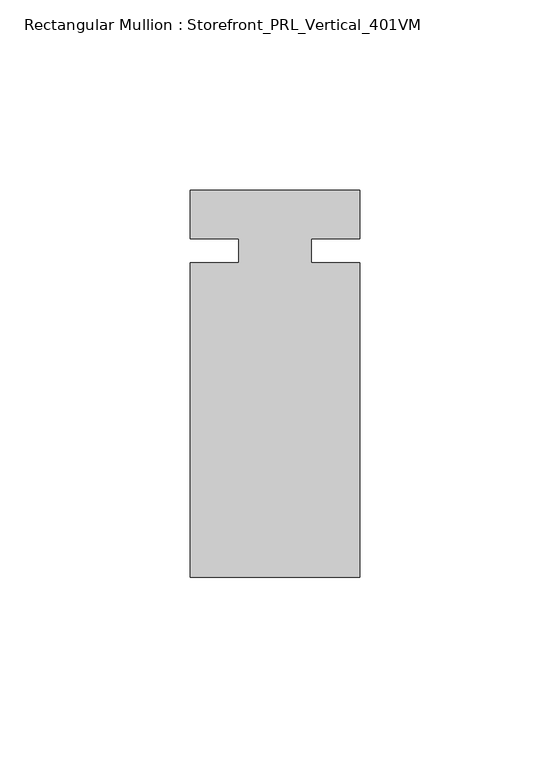
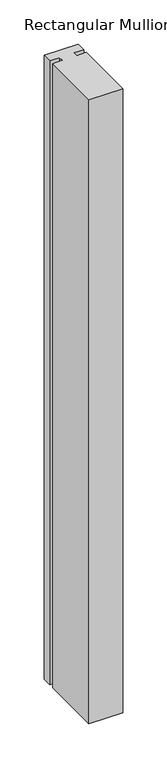
"""IFC4 building model written with IfcOpenShell, lengths in millimetres: member geometry, Rectangular Mullion : Storefront_PRL_Vertical_401VM."""

import ifcopenshell
import ifcopenshell.guid

model = None  # the IFC model being written
_history = None  # IfcOwnerHistory: only IFC2X3 demands one
_inside = {}  # id of a spatial element -> (the spatial element, [elements in it])
_under = {}  # id of a project, library or spatial element -> (it, [spatial elements below it])
_declared = {}  # id of a project -> (the project, [libraries it declares])
_typed = {}  # id of a type object -> (the type object, [elements of that type])
_made_of = {}  # id of a material, layer set ... -> (it, [elements and type objects made of it])


def new_model(schema):
    """Start an empty IFC model of exactly this schema.

    Asked for "IFC4X3", IfcOpenShell would pick the latest addendum, in which some entities
    have other attributes; the version numbers below select the first issue.
    IFC2X3 requires an IfcOwnerHistory on every rooted entity: one is made here for all.
    """
    global model, _history
    if schema == "IFC4X3":
        model = ifcopenshell.file(schema_version=(4, 3, 0, 0))
    else:
        model = ifcopenshell.file(schema=schema)
    _inside.clear()
    _under.clear()
    _declared.clear()
    _typed.clear()
    _made_of.clear()
    _history = None
    if model.schema == "IFC2X3":
        org = make("IfcOrganization", Name="unknown")
        user = make(
            "IfcPersonAndOrganization",
            ThePerson=make("IfcPerson", FamilyName="unknown"),
            TheOrganization=org,
        )
        app = make(
            "IfcApplication",
            ApplicationDeveloper=org,
            Version="unknown",
            ApplicationFullName="unknown",
            ApplicationIdentifier="unknown",
        )
        _history = make(
            "IfcOwnerHistory",
            OwningUser=user,
            OwningApplication=app,
            ChangeAction="ADDED",
            CreationDate=0,
        )
    return model


def make(cls, **values):
    """One entity of the class cls with the attributes given. An attribute that is None is left unset."""
    return model.create_entity(
        cls, **{name: value for name, value in values.items() if value is not None}
    )


def rooted(cls, **values):
    """An entity with a GlobalId (a new one), such as an element, a storey or a relation."""
    return make(cls, GlobalId=ifcopenshell.guid.new(), OwnerHistory=_history, **values)


def si_unit(unit_type, name, prefix=None):
    """IfcSIUnit, for example si_unit("LENGTHUNIT", "METRE", prefix="MILLI")."""
    return make("IfcSIUnit", UnitType=unit_type, Prefix=prefix, Name=name)


def assignment(units):
    """IfcUnitAssignment: the units of a project."""
    return None if units is None else make("IfcUnitAssignment", Units=units)


def point(xyz):
    """IfcCartesianPoint."""
    return None if xyz is None else make("IfcCartesianPoint", Coordinates=xyz)


def direction(xyz):
    """IfcDirection."""
    return None if xyz is None else make("IfcDirection", DirectionRatios=xyz)


def frame(location, z_axis=None, x_axis=None):
    """IfcAxis2Placement3D, a coordinate frame: its origin and axes. An axis left out is left unset."""
    return make(
        "IfcAxis2Placement3D",
        Location=point(location),
        Axis=direction(z_axis),
        RefDirection=direction(x_axis),
    )


def origin():
    """The frame at (0, 0, 0) with its axes left unset."""
    return frame((0.0, 0.0, 0.0))


def place(relative_to, where):
    """IfcLocalPlacement: puts the frame where relative to a parent placement (None: the world)."""
    return make(
        "IfcLocalPlacement", PlacementRelTo=relative_to, RelativePlacement=where
    )


def context(
    kind, dimensions, precision=None, world=None, true_north=None, identifier=None
):
    """IfcGeometricRepresentationContext, for example the 3D "Model" context."""
    return make(
        "IfcGeometricRepresentationContext",
        ContextIdentifier=identifier,
        ContextType=kind,
        CoordinateSpaceDimension=dimensions,
        Precision=precision,
        WorldCoordinateSystem=world,
        TrueNorth=true_north,
    )


def project(units=None, contexts=None):
    """IfcProject with its units and contexts."""
    return rooted(
        "IfcProject",
        Name="project",
        RepresentationContexts=contexts,
        UnitsInContext=assignment(units),
    )


def spatial(cls, under=None, at=None, **own):
    """A site, building, storey or space (cls), placed at a placement, below another one or the project."""
    s = rooted(cls, ObjectPlacement=at, **own)
    if under is not None:
        _under.setdefault(under.id(), (under, []))[1].append(s)
    return s


def polyline(points):
    """IfcPolyline through the points."""
    return make("IfcPolyline", Points=[point(p) for p in points])


def outline(outer, holes=None, kind="AREA"):
    """IfcArbitraryClosedProfileDef: a profile drawn as a closed curve; with holes, ...WithVoids."""
    if holes is None:
        return make("IfcArbitraryClosedProfileDef", ProfileType=kind, OuterCurve=outer)
    return make(
        "IfcArbitraryProfileDefWithVoids",
        ProfileType=kind,
        OuterCurve=outer,
        InnerCurves=holes,
    )


def extrude(swept, where, along, depth):
    """IfcExtrudedAreaSolid: the profile swept, set in the frame where, extruded along a direction by depth."""
    return make(
        "IfcExtrudedAreaSolid",
        SweptArea=swept,
        Position=where,
        ExtrudedDirection=direction(along),
        Depth=depth,
    )


def shape(context_of_items, identifier, shape_type, items):
    """IfcShapeRepresentation: the items that make up one representation, for example the "Body"."""
    return make(
        "IfcShapeRepresentation",
        ContextOfItems=context_of_items,
        RepresentationIdentifier=identifier,
        RepresentationType=shape_type,
        Items=items,
    )


def source(mapping_origin, context_of_items, identifier, shape_type, items):
    """IfcRepresentationMap: a shape defined once, which mapped items show again and again."""
    return make(
        "IfcRepresentationMap",
        MappingOrigin=mapping_origin,
        MappedRepresentation=shape(context_of_items, identifier, shape_type, items),
    )


def transform(
    local_origin,
    x_axis=None,
    y_axis=None,
    z_axis=None,
    scale=None,
    scale2=None,
    scale3=None,
    uniform=True,
):
    """IfcCartesianTransformationOperator3D, or its non-uniform kind. x_axis, y_axis, z_axis: its Axis1, 2, 3."""
    if uniform:
        return make(
            "IfcCartesianTransformationOperator3D",
            Axis1=direction(x_axis),
            Axis2=direction(y_axis),
            LocalOrigin=point(local_origin),
            Scale=scale,
            Axis3=direction(z_axis),
        )
    return make(
        "IfcCartesianTransformationOperator3DnonUniform",
        Axis1=direction(x_axis),
        Axis2=direction(y_axis),
        LocalOrigin=point(local_origin),
        Scale=scale,
        Axis3=direction(z_axis),
        Scale2=scale2,
        Scale3=scale3,
    )


def mapped(mapping_source, mapping_target):
    """IfcMappedItem: shows the shape of a source again, moved by a transform."""
    return make(
        "IfcMappedItem", MappingSource=mapping_source, MappingTarget=mapping_target
    )


def made_of(thing, what):
    """Note that an element or type object is made of a material, layer set ...; save() writes the relation."""
    if what is not None:
        _made_of.setdefault(what.id(), (what, []))[1].append(thing)
    return thing


def element(
    cls,
    number,
    at=None,
    inside=None,
    cuts=None,
    type_object=None,
    material=None,
    context=None,
    identifier="Body",
    shape_type=None,
    held_by="IfcProductDefinitionShape",
    body=None,
    shapes=None,
    **own,
):
    """One element of the class cls, such as IfcWall. Its Tag is "e" and its number.

    at: its placement. inside: the storey or other place that contains it. cuts: it is an
    opening in that element (IfcRelVoidsElement). A single representation is given by context,
    identifier, shape_type and body (its items); several are given by shapes. held_by: the class
    of the entity that holds the representations. save() writes the other relations.
    """
    e = rooted(cls, Tag="e%d" % number, ObjectPlacement=at, **own)
    if body is not None:
        shapes = [shape(context, identifier, shape_type, body)]
    if shapes is not None:
        e.Representation = make(held_by, Representations=shapes)
    if inside is not None:
        _inside.setdefault(inside.id(), (inside, []))[1].append(e)
    if cuts is not None:
        rooted(
            "IfcRelVoidsElement", RelatingBuildingElement=cuts, RelatedOpeningElement=e
        )
    if type_object is not None:
        _typed.setdefault(type_object.id(), (type_object, []))[1].append(e)
    return made_of(e, material)


def aggregate(whole, parts):
    """IfcRelAggregates: a whole, such as a stair, and the parts it consists of."""
    return rooted("IfcRelAggregates", RelatingObject=whole, RelatedObjects=parts)


def save(model, path):
    """Write the relations noted so far, then the file.

    IfcRelAggregates (storeys below a building ...), IfcRelContainedInSpatialStructure (elements
    in a storey), IfcRelDefinesByType, IfcRelAssociatesMaterial and IfcRelDeclares: one each for
    every whole, place, type object, material and project.
    """
    for whole, parts in _under.values():
        aggregate(whole, parts)
    for where, things in _inside.values():
        rooted(
            "IfcRelContainedInSpatialStructure",
            RelatedElements=things,
            RelatingStructure=where,
        )
    for kind, things in _typed.values():
        rooted("IfcRelDefinesByType", RelatedObjects=things, RelatingType=kind)
    for what, things in _made_of.values():
        rooted("IfcRelAssociatesMaterial", RelatedObjects=things, RelatingMaterial=what)
    for by, libraries in _declared.values():
        rooted("IfcRelDeclares", RelatingContext=by, RelatedDefinitions=libraries)
    model.write(path)


def rectangular_mullion_storefront_prl_vertical_401vm_c72775cb(model_context):
    return source(origin(), model_context, "Body", "SweptSolid", [
        extrude(outline(polyline([(-9.525, -3.175), (-9.525, 3.175), (-22.225, 3.175), (-22.225, 15.875), (22.225, 15.875), (22.225, 3.175), (9.525, 3.175), (9.525, -3.175), (22.225, -3.175), (22.225, -85.725), (-22.225, -85.725), (-22.225, -3.175), (-9.525, -3.175)])), frame((0.0, 0.0, -863.6), z_axis=(0.0, 0.0, 1.0), x_axis=(1.0, 0.0, 0.0)), (0.0, 0.0, 1.0), 863.6),
    ])


if __name__ == "__main__":
    model = new_model("IFC4")
    model_context = context("Model", 3, world=origin())
    ifc_project = project(units=[si_unit("LENGTHUNIT", "METRE", prefix="MILLI")], contexts=[model_context])
    site = spatial("IfcSite", under=ifc_project)
    building = spatial("IfcBuilding", under=site)
    placement = place(None, origin())
    rectangular_mullion_storefront_prl_vertical_401vm_shape = rectangular_mullion_storefront_prl_vertical_401vm_c72775cb(model_context)
    element("IfcMember", 1, ObjectType="Rectangular Mullion : Storefront_PRL_Vertical_401VM", at=placement, inside=building, context=model_context, shape_type="MappedRepresentation", body=[
        mapped(rectangular_mullion_storefront_prl_vertical_401vm_shape, transform((0.0, 0.0, 0.0), x_axis=(1.0, 0.0, 0.0), y_axis=(0.0, 1.0, 0.0), z_axis=(0.0, 0.0, 1.0))),
    ])
    save(model, "model.ifc")
